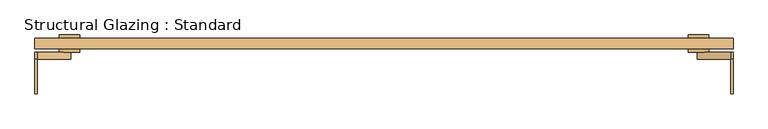
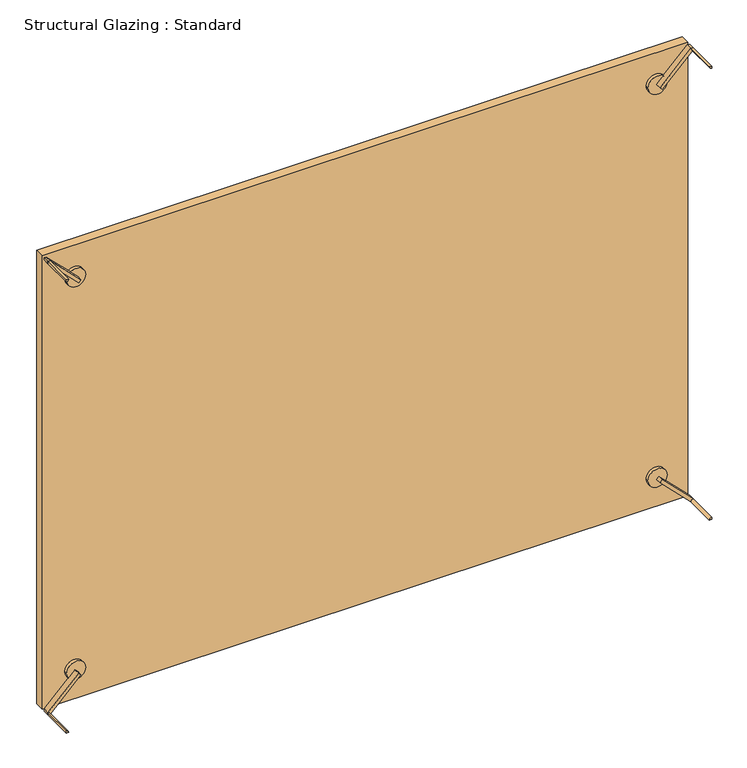
"""IFC4 building model written with IfcOpenShell, lengths in millimetres: door geometry, Structural Glazing : Standard."""

from ifc_helpers import new_model, si_unit, point, frame, frame_2d, origin, origin_with_axes, place, context, project, spatial, polyline, circle_curve, trimmed, segment, composite_curve, outline, extrude, source, transform, mapped, element, save


def structural_glazing_standard_2deab975(model_context):
    return source(origin(), model_context, "Body", "SweptSolid", [
        extrude(outline(composite_curve([segment(trimmed(circle_curve(frame_2d((100.0, 910.0)), 30.0), [point((100.0, 880.0))], [point((100.0, 940.0))], False, "CARTESIAN"), True, "CONTINUOUS"), segment(trimmed(circle_curve(frame_2d((100.0, 910.0)), 30.0), [point((100.0, 940.0))], [point((100.0, 880.0))], False, "CARTESIAN"), True, "CONTINUOUS")], self_intersect=False)), frame((0.0, -38.9615014, 0.0), z_axis=(0.0, 1.0, 0.0), x_axis=(0.0, 0.0, 1.0)), (0.0, 0.0, 1.0), 10.0),
        extrude(outline(composite_curve([segment(trimmed(circle_curve(frame_2d((100.0, -910.0)), 30.0), [point((100.0, -940.0))], [point((100.0, -880.0))], False, "CARTESIAN"), True, "CONTINUOUS"), segment(trimmed(circle_curve(frame_2d((100.0, -910.0)), 30.0), [point((100.0, -880.0))], [point((100.0, -940.0))], False, "CARTESIAN"), True, "CONTINUOUS")], self_intersect=False)), frame((0.0, -38.9615014, 0.0), z_axis=(0.0, 1.0, 0.0), x_axis=(0.0, 0.0, 1.0)), (0.0, 0.0, 1.0), 10.0),
        extrude(outline(composite_curve([segment(trimmed(circle_curve(frame_2d((1400.0, -910.0)), 30.0), [point((1400.0, -940.0))], [point((1400.0, -880.0))], False, "CARTESIAN"), True, "CONTINUOUS"), segment(trimmed(circle_curve(frame_2d((1400.0, -910.0)), 30.0), [point((1400.0, -880.0))], [point((1400.0, -940.0))], False, "CARTESIAN"), True, "CONTINUOUS")], self_intersect=False)), frame((0.0, -38.9615014, 0.0), z_axis=(0.0, 1.0, 0.0), x_axis=(0.0, 0.0, 1.0)), (0.0, 0.0, 1.0), 10.0),
        extrude(outline(composite_curve([segment(trimmed(circle_curve(frame_2d((1400.0, 910.0)), 30.0), [point((1400.0, 880.0))], [point((1400.0, 940.0))], False, "CARTESIAN"), True, "CONTINUOUS"), segment(trimmed(circle_curve(frame_2d((1400.0, 910.0)), 30.0), [point((1400.0, 940.0))], [point((1400.0, 880.0))], False, "CARTESIAN"), True, "CONTINUOUS")], self_intersect=False)), frame((0.0, -38.9615014, 0.0), z_axis=(0.0, 1.0, 0.0), x_axis=(0.0, 0.0, 1.0)), (0.0, 0.0, 1.0), 10.0),
        extrude(outline(composite_curve([segment(trimmed(circle_curve(frame_2d((100.0, -910.0)), 30.0), [point((100.0, -940.0))], [point((100.0, -880.0))], False, "CARTESIAN"), True, "CONTINUOUS"), segment(trimmed(circle_curve(frame_2d((100.0, -910.0)), 30.0), [point((100.0, -880.0))], [point((100.0, -940.0))], False, "CARTESIAN"), True, "CONTINUOUS")], self_intersect=False)), frame((0.0, 1.0384986, 0.0), z_axis=(0.0, 1.0, 0.0), x_axis=(0.0, 0.0, 1.0)), (0.0, 0.0, 1.0), 10.0),
        extrude(outline(composite_curve([segment(trimmed(circle_curve(frame_2d((100.0, 910.0)), 30.0), [point((100.0, 880.0))], [point((100.0, 940.0))], False, "CARTESIAN"), True, "CONTINUOUS"), segment(trimmed(circle_curve(frame_2d((100.0, 910.0)), 30.0), [point((100.0, 940.0))], [point((100.0, 880.0))], False, "CARTESIAN"), True, "CONTINUOUS")], self_intersect=False)), frame((0.0, 1.0384986, 0.0), z_axis=(0.0, 1.0, 0.0), x_axis=(0.0, 0.0, 1.0)), (0.0, 0.0, 1.0), 10.0),
        extrude(outline(composite_curve([segment(trimmed(circle_curve(frame_2d((1400.0, -910.0)), 30.0), [point((1400.0, -940.0))], [point((1400.0, -880.0))], False, "CARTESIAN"), True, "CONTINUOUS"), segment(trimmed(circle_curve(frame_2d((1400.0, -910.0)), 30.0), [point((1400.0, -880.0))], [point((1400.0, -940.0))], False, "CARTESIAN"), True, "CONTINUOUS")], self_intersect=False)), frame((0.0, 1.0384986, 0.0), z_axis=(0.0, 1.0, 0.0), x_axis=(0.0, 0.0, 1.0)), (0.0, 0.0, 1.0), 10.0),
        extrude(outline(composite_curve([segment(trimmed(circle_curve(frame_2d((1400.0, 910.0)), 30.0), [point((1400.0, 880.0))], [point((1400.0, 940.0))], False, "CARTESIAN"), True, "CONTINUOUS"), segment(trimmed(circle_curve(frame_2d((1400.0, 910.0)), 30.0), [point((1400.0, 940.0))], [point((1400.0, 880.0))], False, "CARTESIAN"), True, "CONTINUOUS")], self_intersect=False)), frame((0.0, 1.0384986, 0.0), z_axis=(0.0, 1.0, 0.0), x_axis=(0.0, 0.0, 1.0)), (0.0, 0.0, 1.0), 10.0),
        extrude(outline(polyline([(1010.0, -28.9615014), (-1010.0, -28.9615014), (-1010.0, 1.0384986), (1010.0, 1.0384986), (1010.0, -28.9615014)])), origin_with_axes(), (0.0, 0.0, 1.0), 1500.0),
        extrude(outline(composite_curve([segment(polyline([(0.0, 1010.0), (7.0710678, 1010.0)]), True, "CONTINUOUS"), segment(trimmed(circle_curve(frame_2d((0.0, 1010.0)), 7.0710678), [point((7.0710678, 1010.0))], [point((0.0, 1002.9289322))], False, "CARTESIAN"), True, "CONTINUOUS"), segment(polyline([(0.0, 1002.9289322), (0.0, 1010.0)]), True, "CONTINUOUS")], self_intersect=False)), frame((0.0, -158.9615014, 0.0), z_axis=(0.0, 1.0, 0.0), x_axis=(0.0, 0.0, 1.0)), (0.0, 0.0, 1.0), 100.0),
        extrude(outline(composite_curve([segment(polyline([(0.0, -1010.0), (0.0, -1002.9289322)]), True, "CONTINUOUS"), segment(trimmed(circle_curve(frame_2d((0.0, -1010.0)), 7.0710678), [point((0.0, -1002.9289322))], [point((7.0710678, -1010.0))], False, "CARTESIAN"), True, "CONTINUOUS"), segment(polyline([(7.0710678, -1010.0), (0.0, -1010.0)]), True, "CONTINUOUS")], self_intersect=False)), frame((0.0, -158.9615014, 0.0), z_axis=(0.0, 1.0, 0.0), x_axis=(0.0, 0.0, 1.0)), (0.0, 0.0, 1.0), 100.0),
        extrude(outline(composite_curve([segment(polyline([(1500.0, 1010.0), (1500.0, 1002.9289322)]), True, "CONTINUOUS"), segment(trimmed(circle_curve(frame_2d((1500.0, 1010.0)), 7.0710678), [point((1500.0, 1002.9289322))], [point((1492.9289322, 1010.0))], False, "CARTESIAN"), True, "CONTINUOUS"), segment(polyline([(1492.9289322, 1010.0), (1500.0, 1010.0)]), True, "CONTINUOUS")], self_intersect=False)), frame((0.0, -158.9615014, 0.0), z_axis=(0.0, 1.0, 0.0), x_axis=(0.0, 0.0, 1.0)), (0.0, 0.0, 1.0), 100.0),
        extrude(outline(composite_curve([segment(polyline([(1500.0, -1002.9289322), (1500.0, -1010.0), (1492.9289322, -1010.0)]), True, "CONTINUOUS"), segment(trimmed(circle_curve(frame_2d((1500.0, -1010.0)), 7.0710678), [point((1492.9289322, -1010.0))], [point((1500.0, -1002.9289322))], False, "CARTESIAN"), True, "CONTINUOUS")], self_intersect=False)), frame((0.0, -158.9615014, 0.0), z_axis=(0.0, 1.0, 0.0), x_axis=(0.0, 0.0, 1.0)), (0.0, 0.0, 1.0), 100.0),
        extrude(outline(polyline([(103.5355339, 913.5355339), (96.4644661, 906.4644661), (0.0, 1002.9289322), (0.0, 1010.0), (7.0710678, 1010.0), (103.5355339, 913.5355339)])), frame((0.0, -58.9615014, 0.0), z_axis=(0.0, 1.0, 0.0), x_axis=(0.0, 0.0, 1.0)), (0.0, 0.0, 1.0), 20.0),
        extrude(outline(polyline([(0.0, -1010.0), (0.0, -1002.9289322), (96.4644661, -906.4644661), (103.5355339, -913.5355339), (7.0710678, -1010.0), (0.0, -1010.0)])), frame((0.0, -58.9615014, 0.0), z_axis=(0.0, 1.0, 0.0), x_axis=(0.0, 0.0, 1.0)), (0.0, 0.0, 1.0), 20.0),
        extrude(outline(polyline([(1500.0, -1002.9289322), (1500.0, -1010.0), (1492.9289322, -1010.0), (1396.4644661, -913.5355339), (1403.5355339, -906.4644661), (1500.0, -1002.9289322)])), frame((0.0, -58.9615014, 0.0), z_axis=(0.0, 1.0, 0.0), x_axis=(0.0, 0.0, 1.0)), (0.0, 0.0, 1.0), 20.0),
        extrude(outline(polyline([(1500.0, 1002.9289322), (1403.5355339, 906.4644661), (1396.4644661, 913.5355339), (1492.9289322, 1010.0), (1500.0, 1010.0), (1500.0, 1002.9289322)])), frame((0.0, -58.9615014, 0.0), z_axis=(0.0, 1.0, 0.0), x_axis=(0.0, 0.0, 1.0)), (0.0, 0.0, 1.0), 20.0),
    ])


if __name__ == "__main__":
    model = new_model("IFC4")
    model_context = context("Model", 3, world=origin())
    ifc_project = project(units=[si_unit("LENGTHUNIT", "METRE", prefix="MILLI")], contexts=[model_context])
    site = spatial("IfcSite", under=ifc_project)
    building = spatial("IfcBuilding", under=site)
    placement = place(None, origin())
    structural_glazing_standard_shape = structural_glazing_standard_2deab975(model_context)
    element("IfcDoor", 1, ObjectType="Structural Glazing : Standard", at=placement, inside=building, context=model_context, shape_type="MappedRepresentation", body=[
        mapped(structural_glazing_standard_shape, transform((0.0, 0.0, 0.0), x_axis=(1.0, 0.0, 0.0), y_axis=(0.0, 1.0, 0.0), z_axis=(0.0, 0.0, 1.0))),
    ])
    save(model, "model.ifc")
